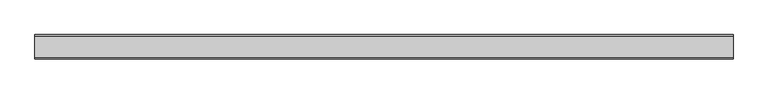
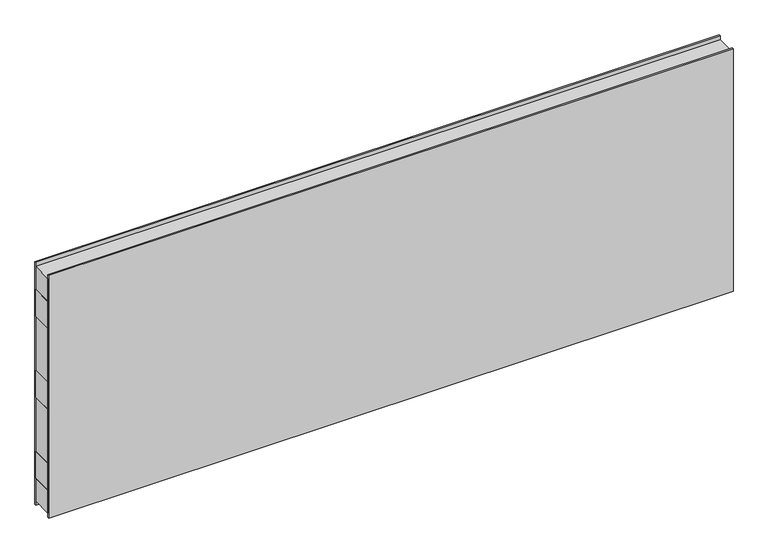
"""IFC4 building model written with IfcOpenShell, lengths in millimetres: plate geometry."""

from ifc_helpers import new_model, si_unit, frame, origin, origin_with_axes, place, context, project, spatial, polyline, outline, extrude, source, transform, mapped, element, save


def plate_bdb28eee(model_context):
    return source(origin(), model_context, "Body", "SweptSolid", [
        extrude(outline(polyline([(-1200.0, -37.5), (-1200.0, 37.5), (1200.0, 37.5), (1200.0, -37.5), (-1200.0, -37.5)])), frame((0.0, 0.0, 700.0), z_axis=(0.0, 0.0, 1.0), x_axis=(1.0, 0.0, 0.0)), (0.0, 0.0, 1.0), 100.0),
        extrude(outline(polyline([(-1200.0, -37.5), (-1200.0, 37.5), (1200.0, 37.5), (1200.0, -37.5), (-1200.0, -37.5)])), frame((0.0, 0.0, 100.0), z_axis=(0.0, 0.0, 1.0), x_axis=(1.0, 0.0, 0.0)), (0.0, 0.0, 1.0), 100.0),
        extrude(outline(polyline([(-1200.0, -37.5), (-1200.0, 37.5), (1200.0, 37.5), (1200.0, -37.5), (-1200.0, -37.5)])), frame((0.0, 0.0, 400.0), z_axis=(0.0, 0.0, 1.0), x_axis=(1.0, 0.0, 0.0)), (0.0, 0.0, 1.0), 100.0),
        extrude(outline(polyline([(-1200.0, -42.0), (-1200.0, -37.5), (1200.0, -37.5), (1200.0, -42.0), (-1200.0, -42.0)])), origin_with_axes(), (0.0, 0.0, 1.0), 900.0),
        extrude(outline(polyline([(-1200.0, 37.5), (-1200.0, 42.0), (1200.0, 42.0), (1200.0, 37.5), (-1200.0, 37.5)])), origin_with_axes(), (0.0, 0.0, 1.0), 900.0),
        extrude(outline(polyline([(1200.0, 37.5), (1200.0, -37.5), (-1200.0, -37.5), (-1200.0, 37.5), (1200.0, 37.5)])), frame((0.0, 0.0, 800.0), z_axis=(0.0, 0.0, 1.0), x_axis=(1.0, 0.0, 0.0)), (0.0, 0.0, 1.0), 85.0),
        extrude(outline(polyline([(1200.0, 37.5), (1200.0, -37.5), (-1200.0, -37.5), (-1200.0, 37.5), (1200.0, 37.5)])), frame((0.0, 0.0, 15.0), z_axis=(0.0, 0.0, 1.0), x_axis=(1.0, 0.0, 0.0)), (0.0, 0.0, 1.0), 85.0),
        extrude(outline(polyline([(1200.0, 37.5), (1200.0, -37.5), (-1200.0, -37.5), (-1200.0, 37.5), (1200.0, 37.5)])), frame((0.0, 0.0, 200.0), z_axis=(0.0, 0.0, 1.0), x_axis=(1.0, 0.0, 0.0)), (0.0, 0.0, 1.0), 200.0),
        extrude(outline(polyline([(1200.0, 37.5), (1200.0, -37.5), (-1200.0, -37.5), (-1200.0, 37.5), (1200.0, 37.5)])), frame((0.0, 0.0, 500.0), z_axis=(0.0, 0.0, 1.0), x_axis=(1.0, 0.0, 0.0)), (0.0, 0.0, 1.0), 200.0),
    ])


if __name__ == "__main__":
    model = new_model("IFC4")
    model_context = context("Model", 3, world=origin())
    ifc_project = project(units=[si_unit("LENGTHUNIT", "METRE", prefix="MILLI")], contexts=[model_context])
    site = spatial("IfcSite", under=ifc_project)
    building = spatial("IfcBuilding", under=site)
    placement = place(None, origin())
    plate_shape = plate_bdb28eee(model_context)
    element("IfcPlate", 1, at=placement, inside=building, context=model_context, shape_type="MappedRepresentation", body=[
        mapped(plate_shape, transform((0.0, 0.0, 0.0), x_axis=(1.0, 0.0, 0.0), y_axis=(0.0, 1.0, 0.0), z_axis=(0.0, 0.0, 1.0))),
    ])
    save(model, "model.ifc")
